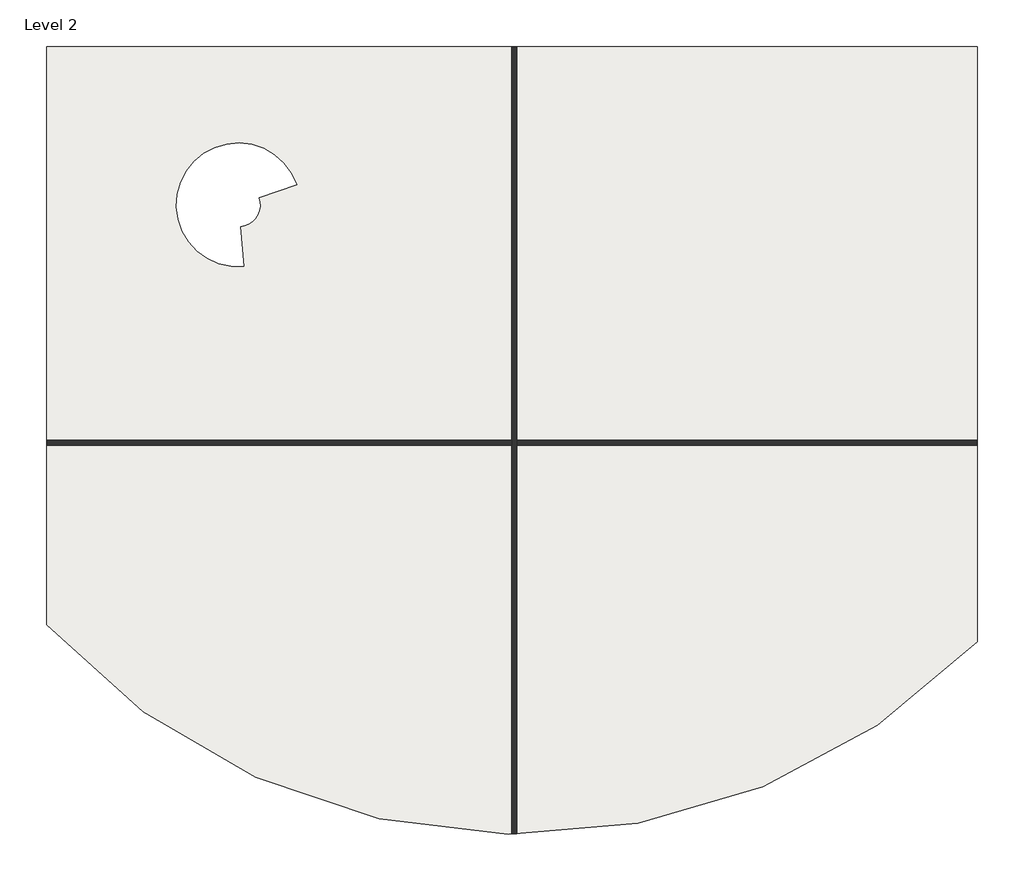
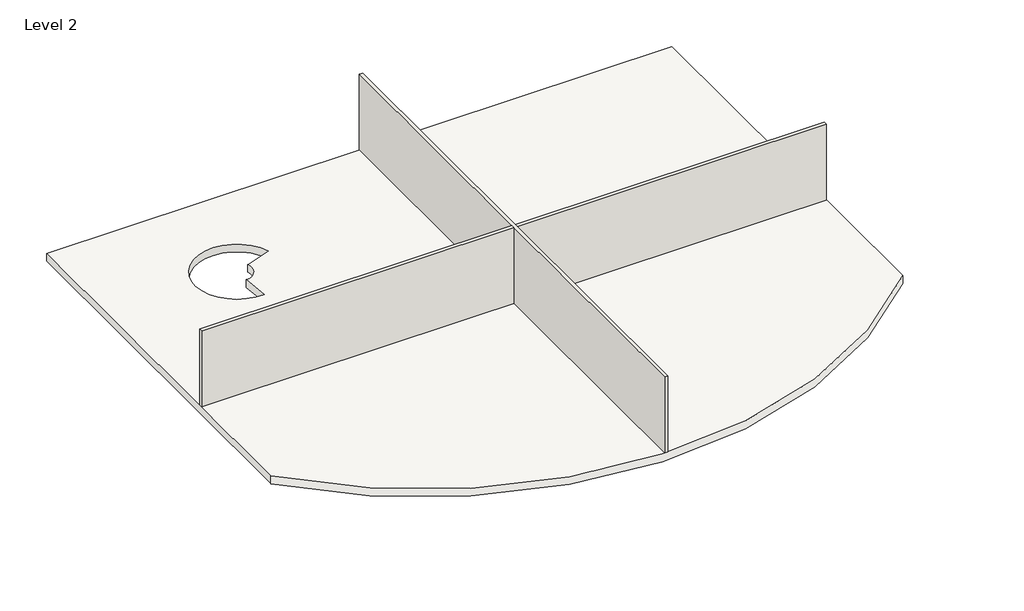
# One storey: 3 walls, 1 slab.
"""IFC4 building model written with IfcOpenShell, lengths in millimetres."""

from ifc_helpers import new_model, si_unit, frame, origin, place, context, project, spatial, polyline, circle_curve, outline, extrude, element, save
from ifc_brep_helpers import plane_surface, cylinder_surface, revolved_surface, advanced_brep

model = new_model("IFC4")

# Units and contexts
model_context = context("Model", 3, world=origin())
ifc_project = project(units=[si_unit("LENGTHUNIT", "METRE", prefix="MILLI")], contexts=[model_context])

# Site, building, storey
site = spatial("IfcSite", under=ifc_project)
building = spatial("IfcBuilding", under=site)
storey = spatial("IfcBuildingStorey", under=building, Name="Level 2", Elevation=3048.0)

# Slab
placement = place(None, origin())
element("IfcSlab", 1, ObjectType="Generic - 12\"", at=placement, inside=storey, context=model_context, shape_type="AdvancedBrep", body=[
    advanced_brep(
    [(7139.1006022, 10417.4446914, 2743.2), (7139.1006022, -4726.7817266, 2743.2), (7139.1006022, -4744.9484769, 2743.2), (-16565.4493978, -4310.7218961, 2743.2), (-16565.4493978, -4291.8343258, 2743.2), (-16565.4493978, 10404.7446914, 2743.2), (-16565.4493978, 10417.4446914, 2743.2), (7126.4006022, 10417.4446914, 2743.2), (-11637.799292, 5830.2460302, 2743.2), (-11158.8767937, 6570.4829592, 2743.2), (-10199.2680482, 6904.2599142, 2743.2), (-11548.9587252, 4818.1376597, 2743.2), (7139.1006022, 10417.4446914, 3048.0), (7126.4006022, 10417.4446914, 3048.0), (-16565.4493978, 10417.4446914, 3048.0), (-16565.4493978, 10404.7446914, 3048.0), (-16565.4493978, -4291.8343258, 3048.0), (-16565.4493978, -4310.7218961, 3048.0), (7139.1006022, -4744.9484769, 3048.0), (7139.1006022, -4726.7817266, 3048.0), (-11637.799292, 5830.2460302, 3048.0), (-11548.9587252, 4818.1376597, 3048.0), (-10199.2680482, 6904.2599142, 3048.0), (-11158.8767937, 6570.4829592, 3048.0)],
    [
        (0, 1),
        (1, 2),
        (2, 3, circle_curve(frame((-4508.3868978, 6651.5714817, 2743.2), z_axis=(0.0, 0.0, -1.0), x_axis=(1.0, 0.0, 0.0)), 16295.5402558)),
        (3, 4),
        (4, 5),
        (5, 6),
        (6, 7),
        (7, 0),
        (8, 9, circle_curve(frame((-11686.6616037, 6386.905634, 2743.2), z_axis=(0.0, 0.0, 1.0), x_axis=(1.0, 0.0, 0.0)), 558.8)),
        (9, 10),
        (10, 11, circle_curve(frame((-11686.6616037, 6386.905634, 2743.2), z_axis=(0.0, 0.0, 1.0), x_axis=(1.0, 0.0, 0.0)), 1574.8)),
        (11, 8),
        (12, 13),
        (13, 14),
        (14, 15),
        (15, 16),
        (16, 17),
        (17, 18, circle_curve(frame((-4508.3868978, 6651.5714817, 3048.0), z_axis=(0.0, 0.0, 1.0), x_axis=(1.0, 0.0, 0.0)), 16295.5402558)),
        (18, 19),
        (19, 12),
        (20, 21),
        (21, 22, circle_curve(frame((-11686.6616037, 6386.905634, 3048.0), z_axis=(0.0, 0.0, -1.0), x_axis=(1.0, 0.0, 0.0)), 1574.8)),
        (22, 23),
        (23, 20, circle_curve(frame((-11686.6616037, 6386.905634, 3048.0), z_axis=(0.0, 0.0, -1.0), x_axis=(1.0, 0.0, 0.0)), 558.8)),
        (0, 12),
        (18, 2),
        (17, 3),
        (14, 6),
        (10, 22),
        (21, 11),
        (20, 8),
        (23, 9),
    ],
    [
        plane_surface(frame((7139.1006022, 10417.4446914, 2743.2), z_axis=(0.0, 0.0, -1.0), x_axis=(0.0, -1.0, 0.0))),
        plane_surface(frame((7139.1006022, 10417.4446914, 3048.0), z_axis=(0.0, 0.0, 1.0), x_axis=(0.0, 1.0, 0.0))),
        plane_surface(frame((7139.1006022, 10417.4446914, 2743.2), z_axis=(1.0, 0.0, 0.0), x_axis=(0.0, 0.0, 1.0))),
        cylinder_surface(frame((-4508.3868978, 6651.5714817, 3048.0), z_axis=(0.0, 0.0, -1.0), x_axis=(1.0, 0.0, 0.0)), 16295.5402558),
        plane_surface(frame((-16565.4493978, -4310.7218961, 2743.2), z_axis=(-1.0, 0.0, 0.0), x_axis=(0.0, 0.0, 1.0))),
        plane_surface(frame((-16565.4493978, 10417.4446914, 2743.2), z_axis=(0.0, 1.0, 0.0), x_axis=(0.0, 0.0, 1.0))),
        revolved_surface(polyline([(-10111.861603700001, 6386.905634, 3048.0), (-10111.861603700001, 6386.905634, 2743.2)]), (-11686.6616037, 6386.905634, 3048.0), (0.0, 0.0, 1.0)),
        plane_surface(frame((-11548.9587252, 4818.1376597, 2743.2), z_axis=(-0.9961696560370442, -0.08744150268057577, 0.0), x_axis=(0.0, 0.0, 1.0))),
        revolved_surface(polyline([(-11127.861603700001, 6386.905634, 3048.0), (-11127.861603700001, 6386.905634, 2743.2)]), (-11686.6616037, 6386.905634, 3048.0), (0.0, 0.0, 1.0)),
        plane_surface(frame((-11158.8767937, 6570.4829592, 2743.2), z_axis=(-0.32852062494126716, 0.9444967967061612, 0.0), x_axis=(0.0, 0.0, 1.0))),
    ],
    [
        (0, [[1, 2, 3, 4, 5, 6, 7, 8], [9, 10, 11, 12]]),
        (1, [[13, 14, 15, 16, 17, 18, 19, 20], [21, 22, 23, 24]]),
        (2, [[-2, -1, 25, -20, -19, 26]]),
        (3, [[-3, -26, -18, 27]]),
        (4, [[-6, -5, -4, -27, -17, -16, -15, 28]]),
        (5, [[-8, -7, -28, -14, -13, -25]]),
        (6, [[-11, 29, -22, 30]]),
        (7, [[-12, -30, -21, 31]]),
        (8, [[-9, -31, -24, 32]]),
        (9, [[-10, -32, -23, -29]]),
    ],
),
])

# Walls
element("IfcWall", 2, ObjectType="Interior - 4 7/8\" Partition (1-hr)", at=placement, inside=storey, context=model_context, shape_type="AdvancedBrep", body=[
    advanced_brep(
    [(-4713.1743978, 10404.7446914, 3048.0), (-4713.1743978, 387.0480259, 3048.0), (-4713.1743978, 263.2230259, 3048.0), (-4713.1743978, -9629.9809282, 3048.0), (-4713.1743978, -9629.9809282, 6096.0), (-4713.1743978, 263.2230259, 6096.0), (-4713.1743978, 387.0480259, 6096.0), (-4713.1743978, 10404.7446914, 6096.0), (-4589.3493978, 10404.7446914, 3048.0), (-4589.3493978, 10404.7446914, 6096.0), (-4589.3493978, 387.0480259, 6096.0), (-4589.3493978, 263.2230259, 6096.0), (-4589.3493978, -9631.0674896, 6096.0), (-4589.3493978, -9631.0674896, 3048.0), (-4589.3493978, 263.2230259, 3048.0), (-4589.3493978, 387.0480259, 3048.0)],
    [
        (0, 1),
        (1, 2),
        (2, 3),
        (3, 4),
        (4, 5),
        (5, 6),
        (6, 7),
        (7, 0),
        (8, 9),
        (9, 10),
        (10, 11),
        (11, 12),
        (12, 13),
        (13, 14),
        (14, 15),
        (15, 8),
        (0, 8),
        (13, 3, circle_curve(frame((-4508.3868978, 6651.5714817, 3048.0), z_axis=(0.0, 0.0, -1.0), x_axis=(1.0, 0.0, 0.0)), 16282.8402558)),
        (4, 12, circle_curve(frame((-4508.3868978, 6651.5714817, 6096.0), z_axis=(0.0, 0.0, 1.0), x_axis=(1.0, 0.0, 0.0)), 16282.8402558)),
        (9, 7),
    ],
    [
        plane_surface(frame((-4713.1743978, 10404.7446914, 3048.0), z_axis=(-1.0, 0.0, 0.0), x_axis=(0.0, -1.0, 0.0))),
        plane_surface(frame((-4589.3493978, 10404.7446914, 3048.0), z_axis=(1.0, 0.0, 0.0), x_axis=(0.0, 1.0, 0.0))),
        plane_surface(frame((-4713.1743978, 10580.9571914, 3048.0), z_axis=(0.0, 0.0, -1.0), x_axis=(1.0, 0.0, 0.0))),
        plane_surface(frame((-4713.1743978, -9806.8611397, 6096.0), z_axis=(0.0, 0.0, 1.0), x_axis=(1.0, 0.0, 0.0))),
        plane_surface(frame((-16319.3868978, 10404.7446914, 0.0), z_axis=(0.0, 1.0, 0.0), x_axis=(1.0, 0.0, 0.0))),
        cylinder_surface(frame((-4508.3868978, 6651.5714817, 0.0), z_axis=(0.0, 0.0, -1.0), x_axis=(1.0, 0.0, 0.0)), 16282.8402558),
    ],
    [
        (0, [[1, 2, 3, 4, 5, 6, 7, 8]]),
        (1, [[9, 10, 11, 12, 13, 14, 15, 16]]),
        (2, [[-3, -2, -1, 17, -16, -15, -14, 18]]),
        (3, [[-7, -6, -5, 19, -12, -11, -10, 20]]),
        (4, [[-8, -20, -9, -17]]),
        (5, [[-4, -18, -13, -19]]),
    ],
),
])
element("IfcWall", 3, ObjectType="Interior - 4 7/8\" Partition (1-hr)", at=placement, inside=storey, context=model_context, shape_type="SweptSolid", body=[
    extrude(outline(polyline([(-16552.7493978, 387.0480259), (-4713.1743978, 387.0480259), (-4713.1743978, 263.2230259), (-16552.7493978, 263.2230259), (-16552.7493978, 387.0480259)])), frame((0.0, 0.0, 3048.0), z_axis=(0.0, 0.0, 1.0), x_axis=(1.0, 0.0, 0.0)), (0.0, 0.0, 1.0), 3048.0),
])
element("IfcWall", 4, ObjectType="Interior - 4 7/8\" Partition (1-hr)", at=placement, inside=storey, context=model_context, shape_type="SweptSolid", body=[
    extrude(outline(polyline([(7126.4006022, 263.2230259), (-4589.3493978, 263.2230259), (-4589.3493978, 387.0480259), (7126.4006022, 387.0480259), (7126.4006022, 263.2230259)])), frame((0.0, 0.0, 3048.0), z_axis=(0.0, 0.0, 1.0), x_axis=(1.0, 0.0, 0.0)), (0.0, 0.0, 1.0), 3048.0),
])

save(model, "model.ifc")
